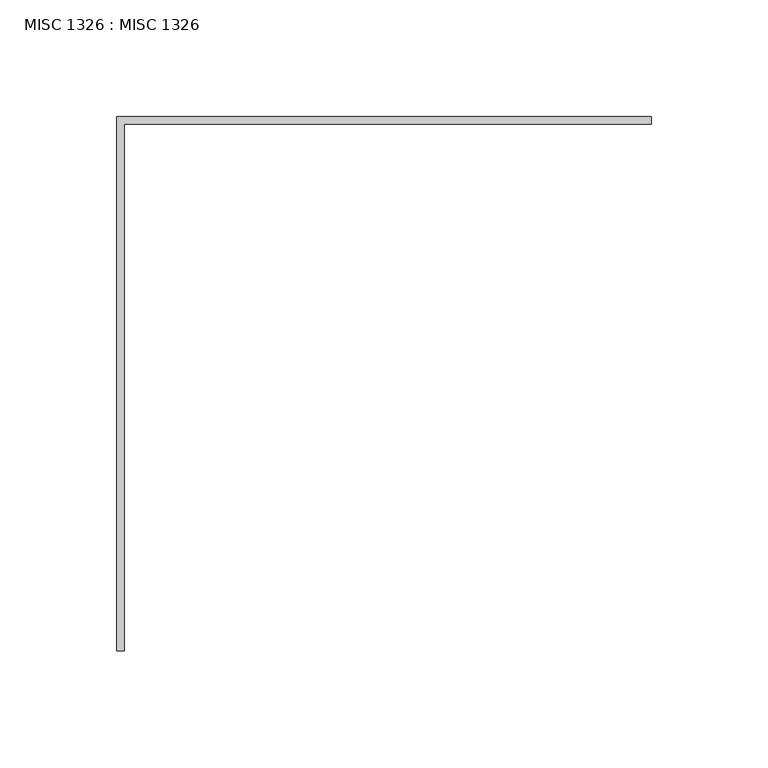
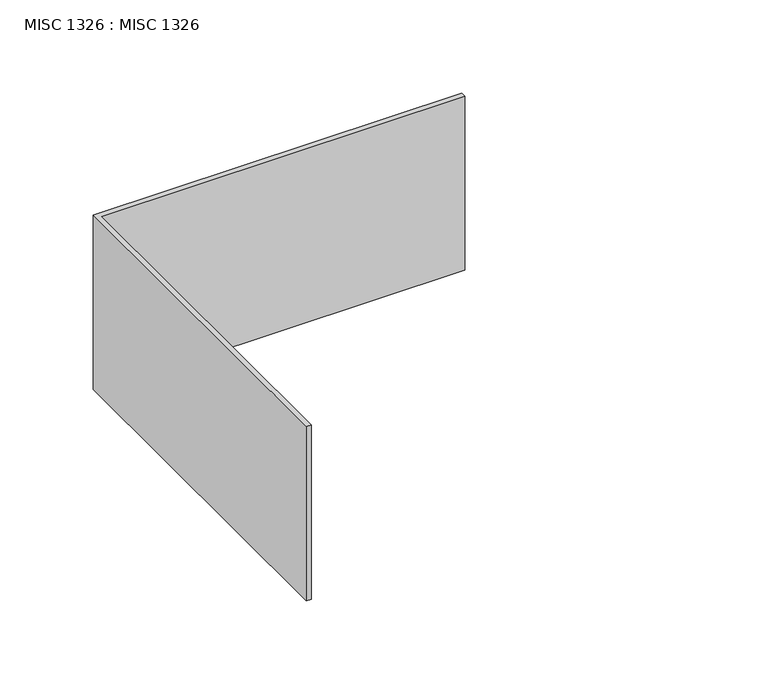
"""IFC4 building model written with IfcOpenShell, lengths in millimetres: beam geometry, MISC 1326 : MISC 1326."""

from ifc_helpers import new_model, si_unit, frame, origin, place, context, project, spatial, polyline, outline, extrude, source, transform, mapped, element, save


def misc_1326_misc_1326_5c5a2979(model_context):
    return source(origin(), model_context, "Body", "SweptSolid", [
        extrude(outline(polyline([(-1.5874985, 596.9), (-4.7624985, 596.9), (-4.7624985, 825.5000061), (223.8375076, 825.5000061), (223.8375076, 822.3250061), (-1.5874985, 822.3250061), (-1.5874985, 596.9)])), frame((0.0, 0.0, -130.175), z_axis=(0.0, 0.0, 1.0), x_axis=(1.0, 0.0, 0.0)), (0.0, 0.0, 1.0), 114.3),
    ])


if __name__ == "__main__":
    model = new_model("IFC4")
    model_context = context("Model", 3, world=origin())
    ifc_project = project(units=[si_unit("LENGTHUNIT", "METRE", prefix="MILLI")], contexts=[model_context])
    site = spatial("IfcSite", under=ifc_project)
    building = spatial("IfcBuilding", under=site)
    placement = place(None, origin())
    misc_1326_misc_1326_shape = misc_1326_misc_1326_5c5a2979(model_context)
    element("IfcBeam", 1, ObjectType="MISC 1326 : MISC 1326", at=placement, inside=building, context=model_context, shape_type="MappedRepresentation", body=[
        mapped(misc_1326_misc_1326_shape, transform((0.0, 0.0, 0.0), x_axis=(1.0, 0.0, 0.0), y_axis=(0.0, 1.0, 0.0), z_axis=(0.0, 0.0, 1.0))),
    ])
    save(model, "model.ifc")
